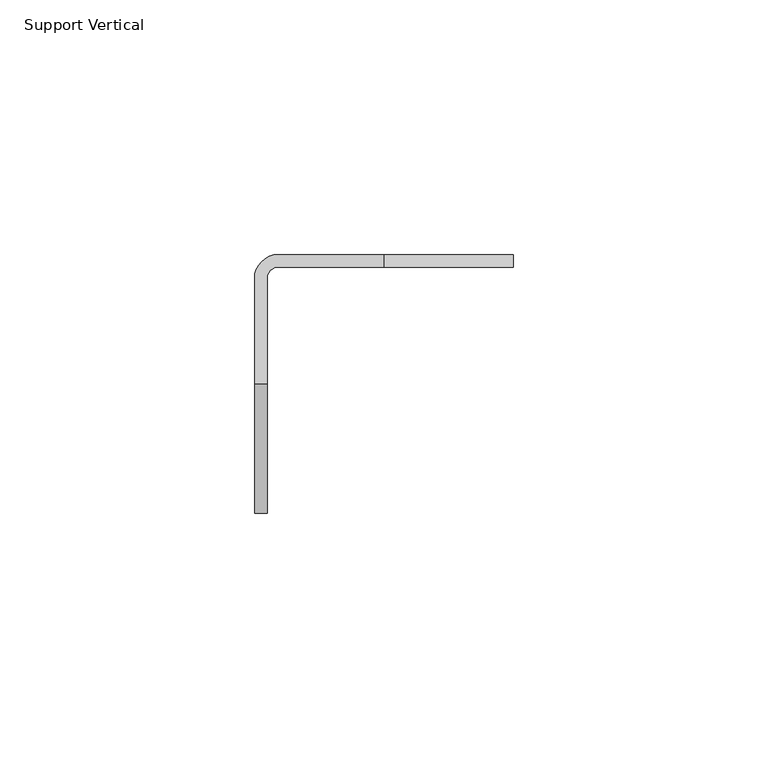
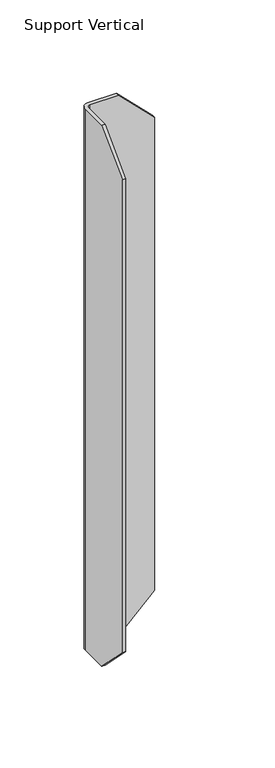
"""IFC4 building model written with IfcOpenShell, lengths in millimetres: furniture geometry, Support Vertical."""

import ifcopenshell
import ifcopenshell.guid

model = None  # the IFC model being written
_history = None  # IfcOwnerHistory: only IFC2X3 demands one
_inside = {}  # id of a spatial element -> (the spatial element, [elements in it])
_under = {}  # id of a project, library or spatial element -> (it, [spatial elements below it])
_declared = {}  # id of a project -> (the project, [libraries it declares])
_typed = {}  # id of a type object -> (the type object, [elements of that type])
_made_of = {}  # id of a material, layer set ... -> (it, [elements and type objects made of it])


def new_model(schema):
    """Start an empty IFC model of exactly this schema.

    Asked for "IFC4X3", IfcOpenShell would pick the latest addendum, in which some entities
    have other attributes; the version numbers below select the first issue.
    IFC2X3 requires an IfcOwnerHistory on every rooted entity: one is made here for all.
    """
    global model, _history
    if schema == "IFC4X3":
        model = ifcopenshell.file(schema_version=(4, 3, 0, 0))
    else:
        model = ifcopenshell.file(schema=schema)
    _inside.clear()
    _under.clear()
    _declared.clear()
    _typed.clear()
    _made_of.clear()
    _history = None
    if model.schema == "IFC2X3":
        org = make("IfcOrganization", Name="unknown")
        user = make(
            "IfcPersonAndOrganization",
            ThePerson=make("IfcPerson", FamilyName="unknown"),
            TheOrganization=org,
        )
        app = make(
            "IfcApplication",
            ApplicationDeveloper=org,
            Version="unknown",
            ApplicationFullName="unknown",
            ApplicationIdentifier="unknown",
        )
        _history = make(
            "IfcOwnerHistory",
            OwningUser=user,
            OwningApplication=app,
            ChangeAction="ADDED",
            CreationDate=0,
        )
    return model


def make(cls, **values):
    """One entity of the class cls with the attributes given. An attribute that is None is left unset."""
    return model.create_entity(
        cls, **{name: value for name, value in values.items() if value is not None}
    )


def rooted(cls, **values):
    """An entity with a GlobalId (a new one), such as an element, a storey or a relation."""
    return make(cls, GlobalId=ifcopenshell.guid.new(), OwnerHistory=_history, **values)


def si_unit(unit_type, name, prefix=None):
    """IfcSIUnit, for example si_unit("LENGTHUNIT", "METRE", prefix="MILLI")."""
    return make("IfcSIUnit", UnitType=unit_type, Prefix=prefix, Name=name)


def assignment(units):
    """IfcUnitAssignment: the units of a project."""
    return None if units is None else make("IfcUnitAssignment", Units=units)


def point(xyz):
    """IfcCartesianPoint."""
    return None if xyz is None else make("IfcCartesianPoint", Coordinates=xyz)


def direction(xyz):
    """IfcDirection."""
    return None if xyz is None else make("IfcDirection", DirectionRatios=xyz)


def frame(location, z_axis=None, x_axis=None):
    """IfcAxis2Placement3D, a coordinate frame: its origin and axes. An axis left out is left unset."""
    return make(
        "IfcAxis2Placement3D",
        Location=point(location),
        Axis=direction(z_axis),
        RefDirection=direction(x_axis),
    )


def origin():
    """The frame at (0, 0, 0) with its axes left unset."""
    return frame((0.0, 0.0, 0.0))


def place(relative_to, where):
    """IfcLocalPlacement: puts the frame where relative to a parent placement (None: the world)."""
    return make(
        "IfcLocalPlacement", PlacementRelTo=relative_to, RelativePlacement=where
    )


def context(
    kind, dimensions, precision=None, world=None, true_north=None, identifier=None
):
    """IfcGeometricRepresentationContext, for example the 3D "Model" context."""
    return make(
        "IfcGeometricRepresentationContext",
        ContextIdentifier=identifier,
        ContextType=kind,
        CoordinateSpaceDimension=dimensions,
        Precision=precision,
        WorldCoordinateSystem=world,
        TrueNorth=true_north,
    )


def project(units=None, contexts=None):
    """IfcProject with its units and contexts."""
    return rooted(
        "IfcProject",
        Name="project",
        RepresentationContexts=contexts,
        UnitsInContext=assignment(units),
    )


def spatial(cls, under=None, at=None, **own):
    """A site, building, storey or space (cls), placed at a placement, below another one or the project."""
    s = rooted(cls, ObjectPlacement=at, **own)
    if under is not None:
        _under.setdefault(under.id(), (under, []))[1].append(s)
    return s


def polyline(points):
    """IfcPolyline through the points."""
    return make("IfcPolyline", Points=[point(p) for p in points])


def circle_curve(where, radius):
    """IfcCircle in the frame where."""
    return make("IfcCircle", Position=where, Radius=radius)


def shape(context_of_items, identifier, shape_type, items):
    """IfcShapeRepresentation: the items that make up one representation, for example the "Body"."""
    return make(
        "IfcShapeRepresentation",
        ContextOfItems=context_of_items,
        RepresentationIdentifier=identifier,
        RepresentationType=shape_type,
        Items=items,
    )


def source(mapping_origin, context_of_items, identifier, shape_type, items):
    """IfcRepresentationMap: a shape defined once, which mapped items show again and again."""
    return make(
        "IfcRepresentationMap",
        MappingOrigin=mapping_origin,
        MappedRepresentation=shape(context_of_items, identifier, shape_type, items),
    )


def transform(
    local_origin,
    x_axis=None,
    y_axis=None,
    z_axis=None,
    scale=None,
    scale2=None,
    scale3=None,
    uniform=True,
):
    """IfcCartesianTransformationOperator3D, or its non-uniform kind. x_axis, y_axis, z_axis: its Axis1, 2, 3."""
    if uniform:
        return make(
            "IfcCartesianTransformationOperator3D",
            Axis1=direction(x_axis),
            Axis2=direction(y_axis),
            LocalOrigin=point(local_origin),
            Scale=scale,
            Axis3=direction(z_axis),
        )
    return make(
        "IfcCartesianTransformationOperator3DnonUniform",
        Axis1=direction(x_axis),
        Axis2=direction(y_axis),
        LocalOrigin=point(local_origin),
        Scale=scale,
        Axis3=direction(z_axis),
        Scale2=scale2,
        Scale3=scale3,
    )


def mapped(mapping_source, mapping_target):
    """IfcMappedItem: shows the shape of a source again, moved by a transform."""
    return make(
        "IfcMappedItem", MappingSource=mapping_source, MappingTarget=mapping_target
    )


def made_of(thing, what):
    """Note that an element or type object is made of a material, layer set ...; save() writes the relation."""
    if what is not None:
        _made_of.setdefault(what.id(), (what, []))[1].append(thing)
    return thing


def element(
    cls,
    number,
    at=None,
    inside=None,
    cuts=None,
    type_object=None,
    material=None,
    context=None,
    identifier="Body",
    shape_type=None,
    held_by="IfcProductDefinitionShape",
    body=None,
    shapes=None,
    **own,
):
    """One element of the class cls, such as IfcWall. Its Tag is "e" and its number.

    at: its placement. inside: the storey or other place that contains it. cuts: it is an
    opening in that element (IfcRelVoidsElement). A single representation is given by context,
    identifier, shape_type and body (its items); several are given by shapes. held_by: the class
    of the entity that holds the representations. save() writes the other relations.
    """
    e = rooted(cls, Tag="e%d" % number, ObjectPlacement=at, **own)
    if body is not None:
        shapes = [shape(context, identifier, shape_type, body)]
    if shapes is not None:
        e.Representation = make(held_by, Representations=shapes)
    if inside is not None:
        _inside.setdefault(inside.id(), (inside, []))[1].append(e)
    if cuts is not None:
        rooted(
            "IfcRelVoidsElement", RelatingBuildingElement=cuts, RelatedOpeningElement=e
        )
    if type_object is not None:
        _typed.setdefault(type_object.id(), (type_object, []))[1].append(e)
    return made_of(e, material)


def aggregate(whole, parts):
    """IfcRelAggregates: a whole, such as a stair, and the parts it consists of."""
    return rooted("IfcRelAggregates", RelatingObject=whole, RelatedObjects=parts)


def save(model, path):
    """Write the relations noted so far, then the file.

    IfcRelAggregates (storeys below a building ...), IfcRelContainedInSpatialStructure (elements
    in a storey), IfcRelDefinesByType, IfcRelAssociatesMaterial and IfcRelDeclares: one each for
    every whole, place, type object, material and project.
    """
    for whole, parts in _under.values():
        aggregate(whole, parts)
    for where, things in _inside.values():
        rooted(
            "IfcRelContainedInSpatialStructure",
            RelatedElements=things,
            RelatingStructure=where,
        )
    for kind, things in _typed.values():
        rooted("IfcRelDefinesByType", RelatedObjects=things, RelatingType=kind)
    for what, things in _made_of.values():
        rooted("IfcRelAssociatesMaterial", RelatedObjects=things, RelatingMaterial=what)
    for by, libraries in _declared.values():
        rooted("IfcRelDeclares", RelatingContext=by, RelatedDefinitions=libraries)
    model.write(path)


def plane_surface(at):
    """IfcPlane: the flat surface through the origin of the frame at, square to its z axis."""
    return make("IfcPlane", Position=at)


def cylinder_surface(at, radius):
    """IfcCylindricalSurface: all points at the distance radius from the z axis of the frame at."""
    return make("IfcCylindricalSurface", Position=at, Radius=radius)


def revolved_surface(curve, axis_point, axis_direction):
    """IfcSurfaceOfRevolution: the curve turned about the line through axis_point along axis_direction."""
    return make(
        "IfcSurfaceOfRevolution",
        SweptCurve=make("IfcArbitraryOpenProfileDef", ProfileType="CURVE", Curve=curve),
        AxisPosition=make("IfcAxis1Placement", Location=point(axis_point), Axis=direction(axis_direction)),
    )


def advanced_brep(points, edges, surfaces, faces):
    """IfcAdvancedBrep: a solid bounded by faces that lie on surfaces and meet in shared edges.

    An edge is (start, end): straight between two places in points (the first is 0);
    or (start, end, curve); or (start, end, curve, False) where it runs against its curve.
    A face is (place in surfaces, loops), or (place, loops, False) where it looks against
    its surface's normal. A loop lists edges by number (the first is 1), with a minus sign
    where the edge is run from its end to its start. The first loop is the outer one.
    """
    corners = [point(p) for p in points]
    vertices = [make("IfcVertexPoint", VertexGeometry=c) for c in corners]
    made = []
    for start, end, *more in edges:
        made.append(
            make(
                "IfcEdgeCurve",
                EdgeStart=vertices[start],
                EdgeEnd=vertices[end],
                EdgeGeometry=more[0] if more else make("IfcPolyline", Points=[corners[start], corners[end]]),
                SameSense=more[1] if len(more) > 1 else True,
            )
        )
    hull = []
    for where, loops, *sense in faces:
        bounds = []
        for j, loop in enumerate(loops):
            ring = [make("IfcOrientedEdge", EdgeElement=made[abs(k) - 1], Orientation=k > 0) for k in loop]
            bounds.append(
                make(
                    "IfcFaceOuterBound" if j == 0 else "IfcFaceBound",
                    Bound=make("IfcEdgeLoop", EdgeList=ring),
                    Orientation=True,
                )
            )
        hull.append(make("IfcAdvancedFace", Bounds=bounds, FaceSurface=surfaces[where], SameSense=sense[0] if sense else True))
    return make("IfcAdvancedBrep", Outer=make("IfcClosedShell", CfsFaces=hull))


def support_vertical_780c7799(model_context):
    return source(origin(), model_context, "Body", "AdvancedBrep", [
        advanced_brep(
        [(2.4638, -4.7498, 889.0), (4.7498, -2.4638, 889.0), (25.4, -2.4638, 889.0), (25.4, 0.0, 889.0), (4.7498, 0.0, 889.0), (0.0, -4.7498, 889.0), (0.0, -25.4, 889.0), (2.4638, -25.4, 889.0), (0.0, -4.7498, 482.6), (4.7498, 0.0, 482.6), (25.4, 0.0, 482.6), (25.4, -2.4638, 482.6), (4.7498, -2.4638, 482.6), (2.4638, -4.7498, 482.6), (2.4638, -25.4, 482.6), (0.0, -25.4, 482.6), (0.0, -50.8, 863.6), (0.0, -50.8, 508.0), (2.4638, -50.8, 508.0), (2.4638, -50.8, 863.6), (50.8, -2.4638, 508.0), (50.8, -2.4638, 863.6), (50.8, 0.0, 508.0), (50.8, 0.0, 863.6)],
        [
            (0, 1, circle_curve(frame((4.7498, -4.7498, 889.0), z_axis=(0.0, 0.0, -1.0), x_axis=(1.0, 0.0, 0.0)), 2.286)),
            (1, 2),
            (2, 3),
            (3, 4),
            (4, 5, circle_curve(frame((4.7498, -4.7498, 889.0), z_axis=(0.0, 0.0, 1.0), x_axis=(1.0, 0.0, 0.0)), 4.7498)),
            (5, 6),
            (6, 7),
            (7, 0),
            (8, 9, circle_curve(frame((4.7498, -4.7498, 482.6), z_axis=(0.0, 0.0, -1.0), x_axis=(1.0, 0.0, 0.0)), 4.7498)),
            (9, 10),
            (10, 11),
            (11, 12),
            (12, 13, circle_curve(frame((4.7498, -4.7498, 482.6), z_axis=(0.0, 0.0, 1.0), x_axis=(1.0, 0.0, 0.0)), 2.286)),
            (13, 14),
            (14, 15),
            (15, 8),
            (16, 17),
            (17, 18),
            (18, 19),
            (19, 16),
            (13, 0),
            (7, 19),
            (18, 14),
            (12, 1),
            (11, 20),
            (20, 21),
            (21, 2),
            (20, 22),
            (22, 23),
            (23, 21),
            (9, 4),
            (3, 23),
            (22, 10),
            (8, 5),
            (15, 17),
            (16, 6),
        ],
        [
            plane_surface(frame((0.0, -50.8, 889.0), z_axis=(0.0, 0.0, 1.0), x_axis=(1.0, 0.0, 0.0))),
            plane_surface(frame((0.0, -50.8, 482.6), z_axis=(0.0, 0.0, -1.0), x_axis=(-1.0, 0.0, 0.0))),
            plane_surface(frame((0.0, -50.8, 889.0), z_axis=(0.0, -1.0, 0.0), x_axis=(0.0, 0.0, -1.0))),
            plane_surface(frame((2.4638, -50.8, 889.0), z_axis=(1.0, 0.0, 0.0), x_axis=(0.0, 0.0, -1.0))),
            revolved_surface(polyline([(7.0358, -4.7498, 482.6), (7.0358, -4.7498, 889.0)]), (4.7498, -4.7498, 482.6), (0.0, 0.0, -1.0)),
            plane_surface(frame((4.7498, -2.4638, 889.0), z_axis=(0.0, -1.0, 0.0), x_axis=(0.0, 0.0, -1.0))),
            plane_surface(frame((50.8, -2.4638, 889.0), z_axis=(1.0, 0.0, 0.0), x_axis=(0.0, 0.0, -1.0))),
            plane_surface(frame((50.8, 0.0, 889.0), z_axis=(0.0, 1.0, 0.0), x_axis=(0.0, 0.0, -1.0))),
            cylinder_surface(frame((4.7498, -4.7498, 482.6), z_axis=(0.0, 0.0, 1.0), x_axis=(1.0, 0.0, 0.0)), 4.7498),
            plane_surface(frame((0.0, -4.7498, 889.0), z_axis=(-1.0, 0.0, 0.0), x_axis=(0.0, 0.0, -1.0))),
            plane_surface(frame((25.4, 0.0, 482.6), z_axis=(0.7071067811857575, 0.0, -0.7071067811873375), x_axis=(0.0, -1.0, 0.0))),
            plane_surface(frame((50.8, 0.0, 863.6), z_axis=(0.7071067811865472, 0.0, 0.7071067811865479), x_axis=(0.0, -1.0, 0.0))),
            plane_surface(frame((2.4638, -25.4, 482.6), z_axis=(0.0, -0.7071067811879032, -0.7071067811851919), x_axis=(-1.0, 0.0, 0.0))),
            plane_surface(frame((2.4638, -50.8, 863.6), z_axis=(0.0, -0.7071067811878937, 0.7071067811852013), x_axis=(-1.0, 0.0, 0.0))),
        ],
        [
            (0, [[1, 2, 3, 4, 5, 6, 7, 8]]),
            (1, [[9, 10, 11, 12, 13, 14, 15, 16]]),
            (2, [[17, 18, 19, 20]]),
            (3, [[21, -8, 22, -19, 23, -14]]),
            (4, [[-1, -21, -13, 24]]),
            (5, [[-24, -12, 25, 26, 27, -2]]),
            (6, [[-26, 28, 29, 30]]),
            (7, [[31, -4, 32, -29, 33, -10]]),
            (8, [[-5, -31, -9, 34]]),
            (9, [[-34, -16, 35, -17, 36, -6]]),
            (10, [[-11, -33, -28, -25]]),
            (11, [[-3, -27, -30, -32]]),
            (12, [[-15, -23, -18, -35]]),
            (13, [[-7, -36, -20, -22]]),
        ],
    ),
    ])


if __name__ == "__main__":
    model = new_model("IFC4")
    model_context = context("Model", 3, world=origin())
    ifc_project = project(units=[si_unit("LENGTHUNIT", "METRE", prefix="MILLI")], contexts=[model_context])
    site = spatial("IfcSite", under=ifc_project)
    building = spatial("IfcBuilding", under=site)
    placement = place(None, origin())
    support_vertical_shape = support_vertical_780c7799(model_context)
    element("IfcFurniture", 1, ObjectType="Support Vertical", at=placement, inside=building, context=model_context, shape_type="MappedRepresentation", body=[
        mapped(support_vertical_shape, transform((0.0, 0.0, 0.0), x_axis=(1.0, 0.0, 0.0), y_axis=(0.0, 1.0, 0.0), z_axis=(0.0, 0.0, 1.0))),
    ])
    save(model, "model.ifc")
